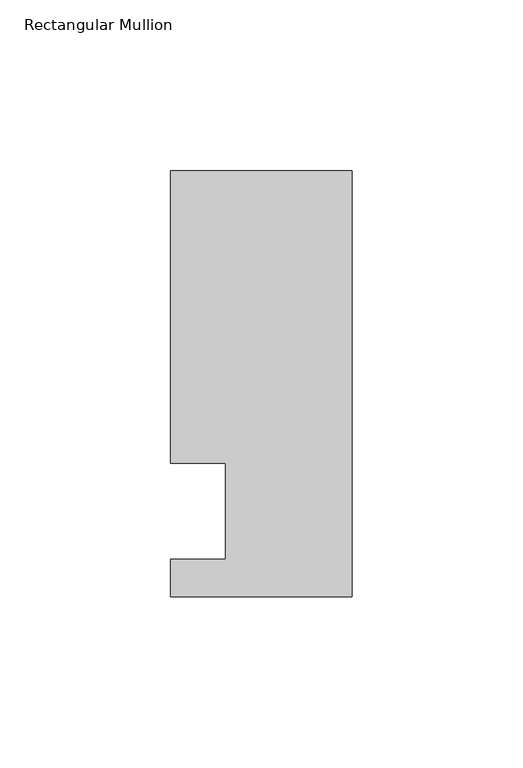
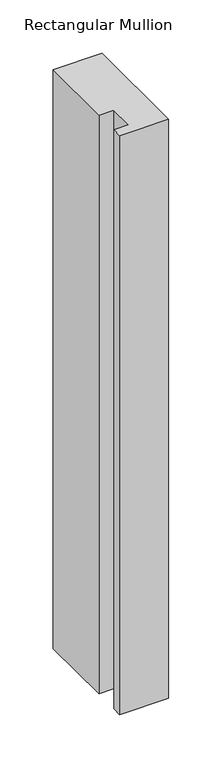
"""IFC4 building model written with IfcOpenShell, lengths in millimetres: member geometry, Rectangular Mullion."""

import ifcopenshell
import ifcopenshell.guid

model = None  # the IFC model being written
_history = None  # IfcOwnerHistory: only IFC2X3 demands one
_inside = {}  # id of a spatial element -> (the spatial element, [elements in it])
_under = {}  # id of a project, library or spatial element -> (it, [spatial elements below it])
_declared = {}  # id of a project -> (the project, [libraries it declares])
_typed = {}  # id of a type object -> (the type object, [elements of that type])
_made_of = {}  # id of a material, layer set ... -> (it, [elements and type objects made of it])


def new_model(schema):
    """Start an empty IFC model of exactly this schema.

    Asked for "IFC4X3", IfcOpenShell would pick the latest addendum, in which some entities
    have other attributes; the version numbers below select the first issue.
    IFC2X3 requires an IfcOwnerHistory on every rooted entity: one is made here for all.
    """
    global model, _history
    if schema == "IFC4X3":
        model = ifcopenshell.file(schema_version=(4, 3, 0, 0))
    else:
        model = ifcopenshell.file(schema=schema)
    _inside.clear()
    _under.clear()
    _declared.clear()
    _typed.clear()
    _made_of.clear()
    _history = None
    if model.schema == "IFC2X3":
        org = make("IfcOrganization", Name="unknown")
        user = make(
            "IfcPersonAndOrganization",
            ThePerson=make("IfcPerson", FamilyName="unknown"),
            TheOrganization=org,
        )
        app = make(
            "IfcApplication",
            ApplicationDeveloper=org,
            Version="unknown",
            ApplicationFullName="unknown",
            ApplicationIdentifier="unknown",
        )
        _history = make(
            "IfcOwnerHistory",
            OwningUser=user,
            OwningApplication=app,
            ChangeAction="ADDED",
            CreationDate=0,
        )
    return model


def make(cls, **values):
    """One entity of the class cls with the attributes given. An attribute that is None is left unset."""
    return model.create_entity(
        cls, **{name: value for name, value in values.items() if value is not None}
    )


def rooted(cls, **values):
    """An entity with a GlobalId (a new one), such as an element, a storey or a relation."""
    return make(cls, GlobalId=ifcopenshell.guid.new(), OwnerHistory=_history, **values)


def si_unit(unit_type, name, prefix=None):
    """IfcSIUnit, for example si_unit("LENGTHUNIT", "METRE", prefix="MILLI")."""
    return make("IfcSIUnit", UnitType=unit_type, Prefix=prefix, Name=name)


def assignment(units):
    """IfcUnitAssignment: the units of a project."""
    return None if units is None else make("IfcUnitAssignment", Units=units)


def point(xyz):
    """IfcCartesianPoint."""
    return None if xyz is None else make("IfcCartesianPoint", Coordinates=xyz)


def direction(xyz):
    """IfcDirection."""
    return None if xyz is None else make("IfcDirection", DirectionRatios=xyz)


def frame(location, z_axis=None, x_axis=None):
    """IfcAxis2Placement3D, a coordinate frame: its origin and axes. An axis left out is left unset."""
    return make(
        "IfcAxis2Placement3D",
        Location=point(location),
        Axis=direction(z_axis),
        RefDirection=direction(x_axis),
    )


def origin():
    """The frame at (0, 0, 0) with its axes left unset."""
    return frame((0.0, 0.0, 0.0))


def place(relative_to, where):
    """IfcLocalPlacement: puts the frame where relative to a parent placement (None: the world)."""
    return make(
        "IfcLocalPlacement", PlacementRelTo=relative_to, RelativePlacement=where
    )


def context(
    kind, dimensions, precision=None, world=None, true_north=None, identifier=None
):
    """IfcGeometricRepresentationContext, for example the 3D "Model" context."""
    return make(
        "IfcGeometricRepresentationContext",
        ContextIdentifier=identifier,
        ContextType=kind,
        CoordinateSpaceDimension=dimensions,
        Precision=precision,
        WorldCoordinateSystem=world,
        TrueNorth=true_north,
    )


def project(units=None, contexts=None):
    """IfcProject with its units and contexts."""
    return rooted(
        "IfcProject",
        Name="project",
        RepresentationContexts=contexts,
        UnitsInContext=assignment(units),
    )


def spatial(cls, under=None, at=None, **own):
    """A site, building, storey or space (cls), placed at a placement, below another one or the project."""
    s = rooted(cls, ObjectPlacement=at, **own)
    if under is not None:
        _under.setdefault(under.id(), (under, []))[1].append(s)
    return s


def polyline(points):
    """IfcPolyline through the points."""
    return make("IfcPolyline", Points=[point(p) for p in points])


def outline(outer, holes=None, kind="AREA"):
    """IfcArbitraryClosedProfileDef: a profile drawn as a closed curve; with holes, ...WithVoids."""
    if holes is None:
        return make("IfcArbitraryClosedProfileDef", ProfileType=kind, OuterCurve=outer)
    return make(
        "IfcArbitraryProfileDefWithVoids",
        ProfileType=kind,
        OuterCurve=outer,
        InnerCurves=holes,
    )


def extrude(swept, where, along, depth):
    """IfcExtrudedAreaSolid: the profile swept, set in the frame where, extruded along a direction by depth."""
    return make(
        "IfcExtrudedAreaSolid",
        SweptArea=swept,
        Position=where,
        ExtrudedDirection=direction(along),
        Depth=depth,
    )


def shape(context_of_items, identifier, shape_type, items):
    """IfcShapeRepresentation: the items that make up one representation, for example the "Body"."""
    return make(
        "IfcShapeRepresentation",
        ContextOfItems=context_of_items,
        RepresentationIdentifier=identifier,
        RepresentationType=shape_type,
        Items=items,
    )


def source(mapping_origin, context_of_items, identifier, shape_type, items):
    """IfcRepresentationMap: a shape defined once, which mapped items show again and again."""
    return make(
        "IfcRepresentationMap",
        MappingOrigin=mapping_origin,
        MappedRepresentation=shape(context_of_items, identifier, shape_type, items),
    )


def transform(
    local_origin,
    x_axis=None,
    y_axis=None,
    z_axis=None,
    scale=None,
    scale2=None,
    scale3=None,
    uniform=True,
):
    """IfcCartesianTransformationOperator3D, or its non-uniform kind. x_axis, y_axis, z_axis: its Axis1, 2, 3."""
    if uniform:
        return make(
            "IfcCartesianTransformationOperator3D",
            Axis1=direction(x_axis),
            Axis2=direction(y_axis),
            LocalOrigin=point(local_origin),
            Scale=scale,
            Axis3=direction(z_axis),
        )
    return make(
        "IfcCartesianTransformationOperator3DnonUniform",
        Axis1=direction(x_axis),
        Axis2=direction(y_axis),
        LocalOrigin=point(local_origin),
        Scale=scale,
        Axis3=direction(z_axis),
        Scale2=scale2,
        Scale3=scale3,
    )


def mapped(mapping_source, mapping_target):
    """IfcMappedItem: shows the shape of a source again, moved by a transform."""
    return make(
        "IfcMappedItem", MappingSource=mapping_source, MappingTarget=mapping_target
    )


def made_of(thing, what):
    """Note that an element or type object is made of a material, layer set ...; save() writes the relation."""
    if what is not None:
        _made_of.setdefault(what.id(), (what, []))[1].append(thing)
    return thing


def element(
    cls,
    number,
    at=None,
    inside=None,
    cuts=None,
    type_object=None,
    material=None,
    context=None,
    identifier="Body",
    shape_type=None,
    held_by="IfcProductDefinitionShape",
    body=None,
    shapes=None,
    **own,
):
    """One element of the class cls, such as IfcWall. Its Tag is "e" and its number.

    at: its placement. inside: the storey or other place that contains it. cuts: it is an
    opening in that element (IfcRelVoidsElement). A single representation is given by context,
    identifier, shape_type and body (its items); several are given by shapes. held_by: the class
    of the entity that holds the representations. save() writes the other relations.
    """
    e = rooted(cls, Tag="e%d" % number, ObjectPlacement=at, **own)
    if body is not None:
        shapes = [shape(context, identifier, shape_type, body)]
    if shapes is not None:
        e.Representation = make(held_by, Representations=shapes)
    if inside is not None:
        _inside.setdefault(inside.id(), (inside, []))[1].append(e)
    if cuts is not None:
        rooted(
            "IfcRelVoidsElement", RelatingBuildingElement=cuts, RelatedOpeningElement=e
        )
    if type_object is not None:
        _typed.setdefault(type_object.id(), (type_object, []))[1].append(e)
    return made_of(e, material)


def aggregate(whole, parts):
    """IfcRelAggregates: a whole, such as a stair, and the parts it consists of."""
    return rooted("IfcRelAggregates", RelatingObject=whole, RelatedObjects=parts)


def save(model, path):
    """Write the relations noted so far, then the file.

    IfcRelAggregates (storeys below a building ...), IfcRelContainedInSpatialStructure (elements
    in a storey), IfcRelDefinesByType, IfcRelAssociatesMaterial and IfcRelDeclares: one each for
    every whole, place, type object, material and project.
    """
    for whole, parts in _under.values():
        aggregate(whole, parts)
    for where, things in _inside.values():
        rooted(
            "IfcRelContainedInSpatialStructure",
            RelatedElements=things,
            RelatingStructure=where,
        )
    for kind, things in _typed.values():
        rooted("IfcRelDefinesByType", RelatedObjects=things, RelatingType=kind)
    for what, things in _made_of.values():
        rooted("IfcRelAssociatesMaterial", RelatedObjects=things, RelatingMaterial=what)
    for by, libraries in _declared.values():
        rooted("IfcRelDeclares", RelatingContext=by, RelatedDefinitions=libraries)
    model.write(path)


def rectangular_mullion_8c8888b1(model_context):
    return source(origin(), model_context, "Body", "SweptSolid", [
        extrude(outline(polyline([(-37.0, -13.9999453), (-37.0, 14.0000547), (-53.0, 14.0000547), (-53.0, 99.5000547), (0.0, 99.5000547), (0.0, -24.9999453), (-53.0, -24.9999453), (-53.0, -13.9999453), (-37.0, -13.9999453)])), frame((0.0, 0.0, -661.5615776), z_axis=(0.0, 0.0, 1.0), x_axis=(1.0, 0.0, 0.0)), (0.0, 0.0, 1.0), 661.5615776),
    ])


if __name__ == "__main__":
    model = new_model("IFC4")
    model_context = context("Model", 3, world=origin())
    ifc_project = project(units=[si_unit("LENGTHUNIT", "METRE", prefix="MILLI")], contexts=[model_context])
    site = spatial("IfcSite", under=ifc_project)
    building = spatial("IfcBuilding", under=site)
    placement = place(None, origin())
    rectangular_mullion_shape = rectangular_mullion_8c8888b1(model_context)
    element("IfcMember", 1, ObjectType="Rectangular Mullion", at=placement, inside=building, context=model_context, shape_type="MappedRepresentation", body=[
        mapped(rectangular_mullion_shape, transform((0.0, 0.0, 0.0), x_axis=(1.0, 0.0, 0.0), y_axis=(0.0, 1.0, 0.0), z_axis=(0.0, 0.0, 1.0))),
    ])
    save(model, "model.ifc")
